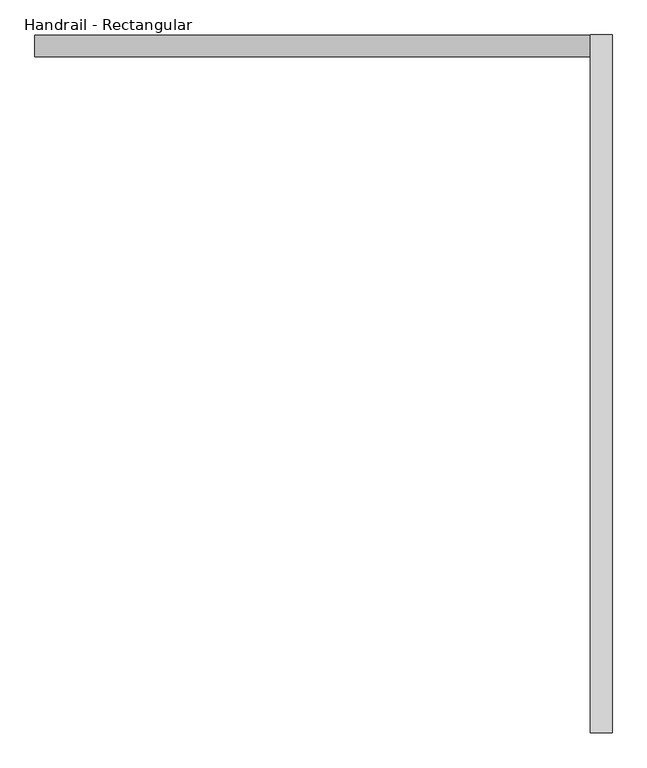
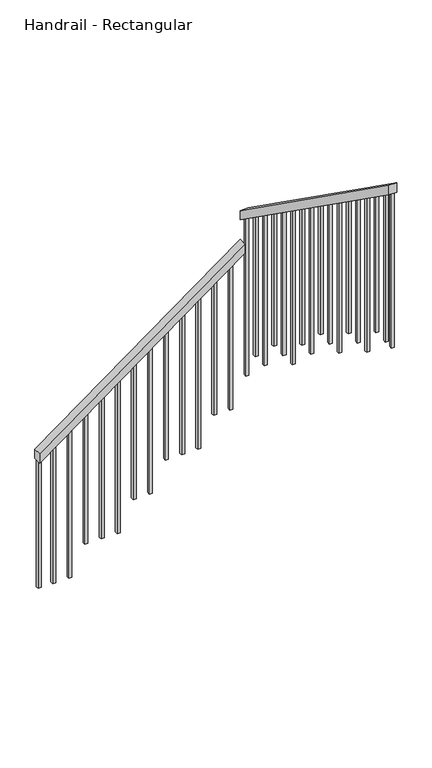
"""IFC4 building model written with IfcOpenShell, lengths in millimetres: railing geometry, Handrail - Rectangular."""

from ifc_helpers import new_model, si_unit, frame, origin, place, context, project, spatial, polyline, outline, extrude, source, transform, mapped, element, save


def handrail_rectangular_983d39d8(model_context):
    return source(origin(), model_context, "Body", "SweptSolid", [
        extrude(outline(polyline([(-1298.7684971, -3885.6525104), (-1361.6716773, -3885.6525104), (-416.2883372, -2591.0525104), (-353.385157, -2591.0525104), (-1298.7684971, -3885.6525104)])), frame((0.0, -4035.1378962, 0.0), z_axis=(0.0, 1.0, 0.0), x_axis=(0.0, 0.0, 1.0)), (0.0, 0.0, 1.0), 50.8),
        extrude(outline(polyline([(-3984.3378962, -161.1789565), (-3984.3378962, -223.479984), (-5609.9378962, 930.6416348), (-5609.9378962, 992.9426624), (-3984.3378962, -161.1789565)])), frame((-2591.0525104, 0.0, 0.0), z_axis=(1.0, 0.0, 0.0), x_axis=(0.0, 1.0, 0.0)), (0.0, 0.0, 1.0), 50.8),
        extrude(outline(polyline([(-5543.2628962, 883.3046153), (-5524.2128962, 869.7797525), (-5524.2128962, -99.0909677), (-5543.2628962, -99.0909677), (-5543.2628962, 883.3046153)])), frame((-2575.1775104, 0.0, 0.0), z_axis=(1.0, 0.0, 0.0), x_axis=(0.0, 1.0, 0.0)), (0.0, 0.0, 1.0), 19.05),
        extrude(outline(polyline([(-5441.6628962, 811.1720141), (-5422.6128962, 797.6471514), (-5422.6128962, -99.0909677), (-5441.6628962, -99.0909677), (-5441.6628962, 811.1720141)])), frame((-2575.1775104, 0.0, 0.0), z_axis=(1.0, 0.0, 0.0), x_axis=(0.0, 1.0, 0.0)), (0.0, 0.0, 1.0), 19.05),
        extrude(outline(polyline([(-5340.0628962, 738.9506671), (-5321.0128962, 725.4258044), (-5321.0128962, -290.7819354), (-5340.0628962, -290.7819354), (-5340.0628962, 738.9506671)])), frame((-2575.1775104, 0.0, 0.0), z_axis=(1.0, 0.0, 0.0), x_axis=(0.0, 1.0, 0.0)), (0.0, 0.0, 1.0), 19.05),
        extrude(outline(polyline([(-5238.4628962, 666.9068117), (-5219.4128962, 653.381949), (-5219.4128962, -290.7819354), (-5238.4628962, -290.7819354), (-5238.4628962, 666.9068117)])), frame((-2575.1775104, 0.0, 0.0), z_axis=(1.0, 0.0, 0.0), x_axis=(0.0, 1.0, 0.0)), (0.0, 0.0, 1.0), 19.05),
        extrude(outline(polyline([(-5136.8628962, 594.7742106), (-5117.8128962, 581.2493478), (-5117.8128962, -290.7819354), (-5136.8628962, -290.7819354), (-5136.8628962, 594.7742106)])), frame((-2575.1775104, 0.0, 0.0), z_axis=(1.0, 0.0, 0.0), x_axis=(0.0, 1.0, 0.0)), (0.0, 0.0, 1.0), 19.05),
        extrude(outline(polyline([(-5035.2628962, 522.6416094), (-5016.2128962, 509.1167467), (-5016.2128962, -482.4729031), (-5035.2628962, -482.4729031), (-5035.2628962, 522.6416094)])), frame((-2575.1775104, 0.0, 0.0), z_axis=(1.0, 0.0, 0.0), x_axis=(0.0, 1.0, 0.0)), (0.0, 0.0, 1.0), 19.05),
        extrude(outline(polyline([(-4933.6628962, 450.5090082), (-4914.6128962, 436.9841455), (-4914.6128962, -482.4729031), (-4933.6628962, -482.4729031), (-4933.6628962, 450.5090082)])), frame((-2575.1775104, 0.0, 0.0), z_axis=(1.0, 0.0, 0.0), x_axis=(0.0, 1.0, 0.0)), (0.0, 0.0, 1.0), 19.05),
        extrude(outline(polyline([(-4832.0628962, 378.376407), (-4813.0128962, 364.8515443), (-4813.0128962, -482.4729031), (-4832.0628962, -482.4729031), (-4832.0628962, 378.376407)])), frame((-2575.1775104, 0.0, 0.0), z_axis=(1.0, 0.0, 0.0), x_axis=(0.0, 1.0, 0.0)), (0.0, 0.0, 1.0), 19.05),
        extrude(outline(polyline([(-4730.4628962, 306.2438058), (-4711.4128962, 292.7189431), (-4711.4128962, -674.1638708), (-4730.4628962, -674.1638708), (-4730.4628962, 306.2438058)])), frame((-2575.1775104, 0.0, 0.0), z_axis=(1.0, 0.0, 0.0), x_axis=(0.0, 1.0, 0.0)), (0.0, 0.0, 1.0), 19.05),
        extrude(outline(polyline([(-4628.8628962, 234.1112047), (-4609.8128962, 220.586342), (-4609.8128962, -674.1638708), (-4628.8628962, -674.1638708), (-4628.8628962, 234.1112047)])), frame((-2575.1775104, 0.0, 0.0), z_axis=(1.0, 0.0, 0.0), x_axis=(0.0, 1.0, 0.0)), (0.0, 0.0, 1.0), 19.05),
        extrude(outline(polyline([(-4527.2628962, 161.9786035), (-4508.2128962, 148.4537408), (-4508.2128962, -865.8548385), (-4527.2628962, -865.8548385), (-4527.2628962, 161.9786035)])), frame((-2575.1775104, 0.0, 0.0), z_axis=(1.0, 0.0, 0.0), x_axis=(0.0, 1.0, 0.0)), (0.0, 0.0, 1.0), 19.05),
        extrude(outline(polyline([(-4425.6628962, 89.8460023), (-4406.6128962, 76.3211396), (-4406.6128962, -865.8548385), (-4425.6628962, -865.8548385), (-4425.6628962, 89.8460023)])), frame((-2575.1775104, 0.0, 0.0), z_axis=(1.0, 0.0, 0.0), x_axis=(0.0, 1.0, 0.0)), (0.0, 0.0, 1.0), 19.05),
        extrude(outline(polyline([(-4324.0628962, 17.7134011), (-4305.0128962, 4.1885384), (-4305.0128962, -865.8548385), (-4324.0628962, -865.8548385), (-4324.0628962, 17.7134011)])), frame((-2575.1775104, 0.0, 0.0), z_axis=(1.0, 0.0, 0.0), x_axis=(0.0, 1.0, 0.0)), (0.0, 0.0, 1.0), 19.05),
        extrude(outline(polyline([(-4222.4628962, -54.4192), (-4203.4128962, -67.9440628), (-4203.4128962, -1057.5458062), (-4222.4628962, -1057.5458062), (-4222.4628962, -54.4192)])), frame((-2575.1775104, 0.0, 0.0), z_axis=(1.0, 0.0, 0.0), x_axis=(0.0, 1.0, 0.0)), (0.0, 0.0, 1.0), 19.05),
        extrude(outline(polyline([(-4120.8628962, -126.5518012), (-4101.8128962, -140.0766639), (-4101.8128962, -1057.5458062), (-4120.8628962, -1057.5458062), (-4120.8628962, -126.5518012)])), frame((-2575.1775104, 0.0, 0.0), z_axis=(1.0, 0.0, 0.0), x_axis=(0.0, 1.0, 0.0)), (0.0, 0.0, 1.0), 19.05),
        extrude(outline(polyline([(-464.3936419, -2656.9275104), (-478.3049293, -2675.9775104), (-1440.9277416, -2675.9775104), (-1440.9277416, -2656.9275104), (-464.3936419, -2656.9275104)])), frame((0.0, -4019.2628962, 0.0), z_axis=(0.0, 1.0, 0.0), x_axis=(0.0, 0.0, 1.0)), (0.0, 0.0, 1.0), 19.05),
        extrude(outline(polyline([(-538.5871745, -2758.5275104), (-552.4984619, -2777.5775104), (-1440.9277416, -2777.5775104), (-1440.9277416, -2758.5275104), (-538.5871745, -2758.5275104)])), frame((0.0, -4019.2628962, 0.0), z_axis=(0.0, 1.0, 0.0), x_axis=(0.0, 0.0, 1.0)), (0.0, 0.0, 1.0), 19.05),
        extrude(outline(polyline([(-612.7807072, -2860.1275104), (-626.6919946, -2879.1775104), (-1632.6187092, -2879.1775104), (-1632.6187092, -2860.1275104), (-612.7807072, -2860.1275104)])), frame((0.0, -4019.2628962, 0.0), z_axis=(0.0, 1.0, 0.0), x_axis=(0.0, 0.0, 1.0)), (0.0, 0.0, 1.0), 19.05),
        extrude(outline(polyline([(-686.9742398, -2961.7275104), (-700.8855272, -2980.7775104), (-1632.6187092, -2980.7775104), (-1632.6187092, -2961.7275104), (-686.9742398, -2961.7275104)])), frame((0.0, -4019.2628962, 0.0), z_axis=(0.0, 1.0, 0.0), x_axis=(0.0, 0.0, 1.0)), (0.0, 0.0, 1.0), 19.05),
        extrude(outline(polyline([(-761.1677725, -3063.3275104), (-775.0790598, -3082.3775104), (-1632.6187092, -3082.3775104), (-1632.6187092, -3063.3275104), (-761.1677725, -3063.3275104)])), frame((0.0, -4019.2628962, 0.0), z_axis=(0.0, 1.0, 0.0), x_axis=(0.0, 0.0, 1.0)), (0.0, 0.0, 1.0), 19.05),
        extrude(outline(polyline([(-835.3613051, -3164.9275104), (-849.2725925, -3183.9775104), (-1824.3096769, -3183.9775104), (-1824.3096769, -3164.9275104), (-835.3613051, -3164.9275104)])), frame((0.0, -4019.2628962, 0.0), z_axis=(0.0, 1.0, 0.0), x_axis=(0.0, 0.0, 1.0)), (0.0, 0.0, 1.0), 19.05),
        extrude(outline(polyline([(-909.5548377, -3266.5275104), (-923.4661251, -3285.5775104), (-1824.3096769, -3285.5775104), (-1824.3096769, -3266.5275104), (-909.5548377, -3266.5275104)])), frame((0.0, -4019.2628962, 0.0), z_axis=(0.0, 1.0, 0.0), x_axis=(0.0, 0.0, 1.0)), (0.0, 0.0, 1.0), 19.05),
        extrude(outline(polyline([(-983.7483704, -3368.1275104), (-997.6596577, -3387.1775104), (-2016.0006446, -3387.1775104), (-2016.0006446, -3368.1275104), (-983.7483704, -3368.1275104)])), frame((0.0, -4019.2628962, 0.0), z_axis=(0.0, 1.0, 0.0), x_axis=(0.0, 0.0, 1.0)), (0.0, 0.0, 1.0), 19.05),
        extrude(outline(polyline([(-1057.941903, -3469.7275104), (-1071.8531904, -3488.7775104), (-2016.0006446, -3488.7775104), (-2016.0006446, -3469.7275104), (-1057.941903, -3469.7275104)])), frame((0.0, -4019.2628962, 0.0), z_axis=(0.0, 1.0, 0.0), x_axis=(0.0, 0.0, 1.0)), (0.0, 0.0, 1.0), 19.05),
        extrude(outline(polyline([(-1132.1354357, -3571.3275104), (-1146.046723, -3590.3775104), (-2016.0006446, -3590.3775104), (-2016.0006446, -3571.3275104), (-1132.1354357, -3571.3275104)])), frame((0.0, -4019.2628962, 0.0), z_axis=(0.0, 1.0, 0.0), x_axis=(0.0, 0.0, 1.0)), (0.0, 0.0, 1.0), 19.05),
        extrude(outline(polyline([(-1206.3289683, -3672.9275104), (-1220.2402557, -3691.9775104), (-2207.6916123, -3691.9775104), (-2207.6916123, -3672.9275104), (-1206.3289683, -3672.9275104)])), frame((0.0, -4019.2628962, 0.0), z_axis=(0.0, 1.0, 0.0), x_axis=(0.0, 0.0, 1.0)), (0.0, 0.0, 1.0), 19.05),
        extrude(outline(polyline([(-1280.5225009, -3774.5275104), (-1294.4337883, -3793.5775104), (-2207.6916123, -3793.5775104), (-2207.6916123, -3774.5275104), (-1280.5225009, -3774.5275104)])), frame((0.0, -4019.2628962, 0.0), z_axis=(0.0, 1.0, 0.0), x_axis=(0.0, 0.0, 1.0)), (0.0, 0.0, 1.0), 19.05),
        extrude(outline(polyline([(-4019.2628962, -198.6844024), (-4000.2128962, -212.2092651), (-4000.2128962, -1249.2367739), (-4019.2628962, -1249.2367739), (-4019.2628962, -198.6844024)])), frame((-2575.1775104, 0.0, 0.0), z_axis=(1.0, 0.0, 0.0), x_axis=(0.0, 1.0, 0.0)), (0.0, 0.0, 1.0), 19.05),
        extrude(outline(polyline([(-5609.9378962, 930.6416348), (-5590.8878962, 917.1167721), (-5590.8878962, -99.0909677), (-5609.9378962, -99.0909677), (-5609.9378962, 930.6416348)])), frame((-2575.1775104, 0.0, 0.0), z_axis=(1.0, 0.0, 0.0), x_axis=(0.0, 1.0, 0.0)), (0.0, 0.0, 1.0), 19.05),
        extrude(outline(polyline([(-1347.7603899, -3866.6025104), (-1361.6716773, -3885.6525104), (-2207.6916123, -3885.6525104), (-2207.6916123, -3866.6025104), (-1347.7603899, -3866.6025104)])), frame((0.0, -4019.2628962, 0.0), z_axis=(0.0, 1.0, 0.0), x_axis=(0.0, 0.0, 1.0)), (0.0, 0.0, 1.0), 19.05),
    ])


if __name__ == "__main__":
    model = new_model("IFC4")
    model_context = context("Model", 3, world=origin())
    ifc_project = project(units=[si_unit("LENGTHUNIT", "METRE", prefix="MILLI")], contexts=[model_context])
    site = spatial("IfcSite", under=ifc_project)
    building = spatial("IfcBuilding", under=site)
    placement = place(None, origin())
    handrail_rectangular_shape = handrail_rectangular_983d39d8(model_context)
    element("IfcRailing", 1, ObjectType="Handrail - Rectangular", at=placement, inside=building, context=model_context, shape_type="MappedRepresentation", body=[
        mapped(handrail_rectangular_shape, transform((0.0, 0.0, 0.0), x_axis=(1.0, 0.0, 0.0), y_axis=(0.0, 1.0, 0.0), z_axis=(0.0, 0.0, 1.0))),
    ])
    save(model, "model.ifc")
